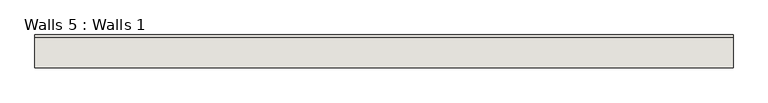
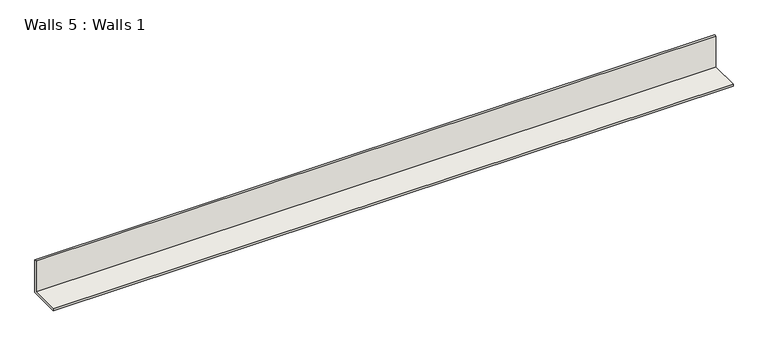
"""IFC4 building model written with IfcOpenShell, lengths in millimetres: wall geometry, Walls 5 : Walls 1."""

import ifcopenshell
import ifcopenshell.guid

model = None  # the IFC model being written
_history = None  # IfcOwnerHistory: only IFC2X3 demands one
_inside = {}  # id of a spatial element -> (the spatial element, [elements in it])
_under = {}  # id of a project, library or spatial element -> (it, [spatial elements below it])
_declared = {}  # id of a project -> (the project, [libraries it declares])
_typed = {}  # id of a type object -> (the type object, [elements of that type])
_made_of = {}  # id of a material, layer set ... -> (it, [elements and type objects made of it])


def new_model(schema):
    """Start an empty IFC model of exactly this schema.

    Asked for "IFC4X3", IfcOpenShell would pick the latest addendum, in which some entities
    have other attributes; the version numbers below select the first issue.
    IFC2X3 requires an IfcOwnerHistory on every rooted entity: one is made here for all.
    """
    global model, _history
    if schema == "IFC4X3":
        model = ifcopenshell.file(schema_version=(4, 3, 0, 0))
    else:
        model = ifcopenshell.file(schema=schema)
    _inside.clear()
    _under.clear()
    _declared.clear()
    _typed.clear()
    _made_of.clear()
    _history = None
    if model.schema == "IFC2X3":
        org = make("IfcOrganization", Name="unknown")
        user = make(
            "IfcPersonAndOrganization",
            ThePerson=make("IfcPerson", FamilyName="unknown"),
            TheOrganization=org,
        )
        app = make(
            "IfcApplication",
            ApplicationDeveloper=org,
            Version="unknown",
            ApplicationFullName="unknown",
            ApplicationIdentifier="unknown",
        )
        _history = make(
            "IfcOwnerHistory",
            OwningUser=user,
            OwningApplication=app,
            ChangeAction="ADDED",
            CreationDate=0,
        )
    return model


def make(cls, **values):
    """One entity of the class cls with the attributes given. An attribute that is None is left unset."""
    return model.create_entity(
        cls, **{name: value for name, value in values.items() if value is not None}
    )


def rooted(cls, **values):
    """An entity with a GlobalId (a new one), such as an element, a storey or a relation."""
    return make(cls, GlobalId=ifcopenshell.guid.new(), OwnerHistory=_history, **values)


def si_unit(unit_type, name, prefix=None):
    """IfcSIUnit, for example si_unit("LENGTHUNIT", "METRE", prefix="MILLI")."""
    return make("IfcSIUnit", UnitType=unit_type, Prefix=prefix, Name=name)


def assignment(units):
    """IfcUnitAssignment: the units of a project."""
    return None if units is None else make("IfcUnitAssignment", Units=units)


def point(xyz):
    """IfcCartesianPoint."""
    return None if xyz is None else make("IfcCartesianPoint", Coordinates=xyz)


def direction(xyz):
    """IfcDirection."""
    return None if xyz is None else make("IfcDirection", DirectionRatios=xyz)


def frame(location, z_axis=None, x_axis=None):
    """IfcAxis2Placement3D, a coordinate frame: its origin and axes. An axis left out is left unset."""
    return make(
        "IfcAxis2Placement3D",
        Location=point(location),
        Axis=direction(z_axis),
        RefDirection=direction(x_axis),
    )


def origin():
    """The frame at (0, 0, 0) with its axes left unset."""
    return frame((0.0, 0.0, 0.0))


def place(relative_to, where):
    """IfcLocalPlacement: puts the frame where relative to a parent placement (None: the world)."""
    return make(
        "IfcLocalPlacement", PlacementRelTo=relative_to, RelativePlacement=where
    )


def context(
    kind, dimensions, precision=None, world=None, true_north=None, identifier=None
):
    """IfcGeometricRepresentationContext, for example the 3D "Model" context."""
    return make(
        "IfcGeometricRepresentationContext",
        ContextIdentifier=identifier,
        ContextType=kind,
        CoordinateSpaceDimension=dimensions,
        Precision=precision,
        WorldCoordinateSystem=world,
        TrueNorth=true_north,
    )


def project(units=None, contexts=None):
    """IfcProject with its units and contexts."""
    return rooted(
        "IfcProject",
        Name="project",
        RepresentationContexts=contexts,
        UnitsInContext=assignment(units),
    )


def spatial(cls, under=None, at=None, **own):
    """A site, building, storey or space (cls), placed at a placement, below another one or the project."""
    s = rooted(cls, ObjectPlacement=at, **own)
    if under is not None:
        _under.setdefault(under.id(), (under, []))[1].append(s)
    return s


def polyline(points):
    """IfcPolyline through the points."""
    return make("IfcPolyline", Points=[point(p) for p in points])


def outline(outer, holes=None, kind="AREA"):
    """IfcArbitraryClosedProfileDef: a profile drawn as a closed curve; with holes, ...WithVoids."""
    if holes is None:
        return make("IfcArbitraryClosedProfileDef", ProfileType=kind, OuterCurve=outer)
    return make(
        "IfcArbitraryProfileDefWithVoids",
        ProfileType=kind,
        OuterCurve=outer,
        InnerCurves=holes,
    )


def extrude(swept, where, along, depth):
    """IfcExtrudedAreaSolid: the profile swept, set in the frame where, extruded along a direction by depth."""
    return make(
        "IfcExtrudedAreaSolid",
        SweptArea=swept,
        Position=where,
        ExtrudedDirection=direction(along),
        Depth=depth,
    )


def shape(context_of_items, identifier, shape_type, items):
    """IfcShapeRepresentation: the items that make up one representation, for example the "Body"."""
    return make(
        "IfcShapeRepresentation",
        ContextOfItems=context_of_items,
        RepresentationIdentifier=identifier,
        RepresentationType=shape_type,
        Items=items,
    )


def source(mapping_origin, context_of_items, identifier, shape_type, items):
    """IfcRepresentationMap: a shape defined once, which mapped items show again and again."""
    return make(
        "IfcRepresentationMap",
        MappingOrigin=mapping_origin,
        MappedRepresentation=shape(context_of_items, identifier, shape_type, items),
    )


def transform(
    local_origin,
    x_axis=None,
    y_axis=None,
    z_axis=None,
    scale=None,
    scale2=None,
    scale3=None,
    uniform=True,
):
    """IfcCartesianTransformationOperator3D, or its non-uniform kind. x_axis, y_axis, z_axis: its Axis1, 2, 3."""
    if uniform:
        return make(
            "IfcCartesianTransformationOperator3D",
            Axis1=direction(x_axis),
            Axis2=direction(y_axis),
            LocalOrigin=point(local_origin),
            Scale=scale,
            Axis3=direction(z_axis),
        )
    return make(
        "IfcCartesianTransformationOperator3DnonUniform",
        Axis1=direction(x_axis),
        Axis2=direction(y_axis),
        LocalOrigin=point(local_origin),
        Scale=scale,
        Axis3=direction(z_axis),
        Scale2=scale2,
        Scale3=scale3,
    )


def mapped(mapping_source, mapping_target):
    """IfcMappedItem: shows the shape of a source again, moved by a transform."""
    return make(
        "IfcMappedItem", MappingSource=mapping_source, MappingTarget=mapping_target
    )


def made_of(thing, what):
    """Note that an element or type object is made of a material, layer set ...; save() writes the relation."""
    if what is not None:
        _made_of.setdefault(what.id(), (what, []))[1].append(thing)
    return thing


def element(
    cls,
    number,
    at=None,
    inside=None,
    cuts=None,
    type_object=None,
    material=None,
    context=None,
    identifier="Body",
    shape_type=None,
    held_by="IfcProductDefinitionShape",
    body=None,
    shapes=None,
    **own,
):
    """One element of the class cls, such as IfcWall. Its Tag is "e" and its number.

    at: its placement. inside: the storey or other place that contains it. cuts: it is an
    opening in that element (IfcRelVoidsElement). A single representation is given by context,
    identifier, shape_type and body (its items); several are given by shapes. held_by: the class
    of the entity that holds the representations. save() writes the other relations.
    """
    e = rooted(cls, Tag="e%d" % number, ObjectPlacement=at, **own)
    if body is not None:
        shapes = [shape(context, identifier, shape_type, body)]
    if shapes is not None:
        e.Representation = make(held_by, Representations=shapes)
    if inside is not None:
        _inside.setdefault(inside.id(), (inside, []))[1].append(e)
    if cuts is not None:
        rooted(
            "IfcRelVoidsElement", RelatingBuildingElement=cuts, RelatedOpeningElement=e
        )
    if type_object is not None:
        _typed.setdefault(type_object.id(), (type_object, []))[1].append(e)
    return made_of(e, material)


def aggregate(whole, parts):
    """IfcRelAggregates: a whole, such as a stair, and the parts it consists of."""
    return rooted("IfcRelAggregates", RelatingObject=whole, RelatedObjects=parts)


def save(model, path):
    """Write the relations noted so far, then the file.

    IfcRelAggregates (storeys below a building ...), IfcRelContainedInSpatialStructure (elements
    in a storey), IfcRelDefinesByType, IfcRelAssociatesMaterial and IfcRelDeclares: one each for
    every whole, place, type object, material and project.
    """
    for whole, parts in _under.values():
        aggregate(whole, parts)
    for where, things in _inside.values():
        rooted(
            "IfcRelContainedInSpatialStructure",
            RelatedElements=things,
            RelatingStructure=where,
        )
    for kind, things in _typed.values():
        rooted("IfcRelDefinesByType", RelatedObjects=things, RelatingType=kind)
    for what, things in _made_of.values():
        rooted("IfcRelAssociatesMaterial", RelatedObjects=things, RelatingMaterial=what)
    for by, libraries in _declared.values():
        rooted("IfcRelDeclares", RelatingContext=by, RelatedDefinitions=libraries)
    model.write(path)


def walls_5_walls_1_7358e97d(model_context):
    return source(origin(), model_context, "Body", "SweptSolid", [
        extrude(outline(polyline([(2289.2357401, 403.225), (2190.3843005, 403.225), (2190.3843005, 409.575), (2282.8857401, 409.575), (2282.8857401, 511.175), (2289.2357401, 511.175), (2289.2357401, 403.225)])), frame((-859.3497911, 0.0, 0.0), z_axis=(1.0, 0.0, 0.0), x_axis=(0.0, 1.0, 0.0)), (0.0, 0.0, 1.0), 2108.2),
    ])


if __name__ == "__main__":
    model = new_model("IFC4")
    model_context = context("Model", 3, world=origin())
    ifc_project = project(units=[si_unit("LENGTHUNIT", "METRE", prefix="MILLI")], contexts=[model_context])
    site = spatial("IfcSite", under=ifc_project)
    building = spatial("IfcBuilding", under=site)
    placement = place(None, origin())
    walls_5_walls_1_shape = walls_5_walls_1_7358e97d(model_context)
    element("IfcWall", 1, ObjectType="Walls 5 : Walls 1", at=placement, inside=building, context=model_context, shape_type="MappedRepresentation", body=[
        mapped(walls_5_walls_1_shape, transform((0.0, 0.0, 0.0), x_axis=(1.0, 0.0, 0.0), y_axis=(0.0, 1.0, 0.0), z_axis=(0.0, 0.0, 1.0))),
    ])
    save(model, "model.ifc")
